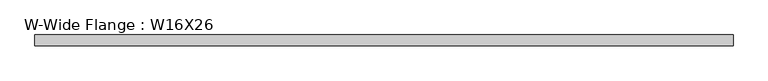
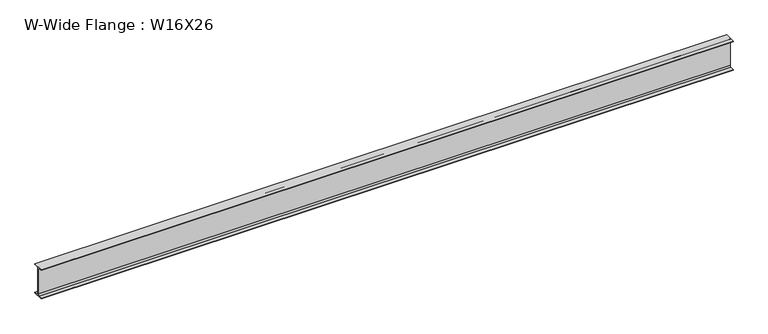
"""IFC4 building model written with IfcOpenShell, lengths in millimetres: beam geometry, W-Wide Flange : W16X26."""

from ifc_helpers import new_model, si_unit, point, frame, frame_2d, origin, place, context, project, spatial, polyline, circle_curve, trimmed, segment, composite_curve, outline, extrude, source, transform, mapped, element, save


def w_wide_flange_w16x26_c13d27e2(model_context):
    return source(origin(), model_context, "Body", "SweptSolid", [
        extrude(outline(composite_curve([segment(polyline([(69.85, -190.5496094), (69.85, -199.2808594), (-69.85, -199.2808594), (-69.85, -190.5496094), (-21.43125, -190.5496094)]), True, "CONTINUOUS"), segment(trimmed(circle_curve(frame_2d((-21.43125, -172.2933594)), 18.25625), [point((-21.43125, -190.5496094))], [point((-3.175, -172.2933594))], True, "CARTESIAN"), True, "CONTINUOUS"), segment(polyline([(-3.175, -172.2933594), (-3.175, 172.2933594)]), True, "CONTINUOUS"), segment(trimmed(circle_curve(frame_2d((-21.43125, 172.2933594)), 18.25625), [point((-3.175, 172.2933594))], [point((-21.43125, 190.5496094))], True, "CARTESIAN"), True, "CONTINUOUS"), segment(polyline([(-21.43125, 190.5496094), (-69.85, 190.5496094), (-69.85, 199.2808594), (69.85, 199.2808594), (69.85, 190.5496094), (21.43125, 190.5496094)]), True, "CONTINUOUS"), segment(trimmed(circle_curve(frame_2d((21.43125, 172.2933594)), 18.25625), [point((21.43125, 190.5496094))], [point((3.175, 172.2933594))], True, "CARTESIAN"), True, "CONTINUOUS"), segment(polyline([(3.175, 172.2933594), (3.175, -172.2933594)]), True, "CONTINUOUS"), segment(trimmed(circle_curve(frame_2d((21.43125, -172.2933594)), 18.25625), [point((3.175, -172.2933594))], [point((21.43125, -190.5496094))], True, "CARTESIAN"), True, "CONTINUOUS"), segment(polyline([(21.43125, -190.5496094), (69.85, -190.5496094)]), True, "CONTINUOUS")], self_intersect=False)), frame((-4476.75, 0.0, 0.0), z_axis=(1.0, 0.0, 0.0), x_axis=(0.0, 1.0, 0.0)), (0.0, 0.0, 1.0), 8953.5),
    ])


if __name__ == "__main__":
    model = new_model("IFC4")
    model_context = context("Model", 3, world=origin())
    ifc_project = project(units=[si_unit("LENGTHUNIT", "METRE", prefix="MILLI")], contexts=[model_context])
    site = spatial("IfcSite", under=ifc_project)
    building = spatial("IfcBuilding", under=site)
    placement = place(None, origin())
    w_wide_flange_w16x26_shape = w_wide_flange_w16x26_c13d27e2(model_context)
    element("IfcBeam", 1, ObjectType="W-Wide Flange : W16X26", at=placement, inside=building, context=model_context, shape_type="MappedRepresentation", body=[
        mapped(w_wide_flange_w16x26_shape, transform((0.0, 0.0, 0.0), x_axis=(1.0, 0.0, 0.0), y_axis=(0.0, 1.0, 0.0), z_axis=(0.0, 0.0, 1.0))),
    ])
    save(model, "model.ifc")
